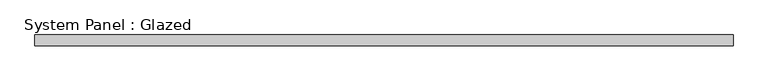
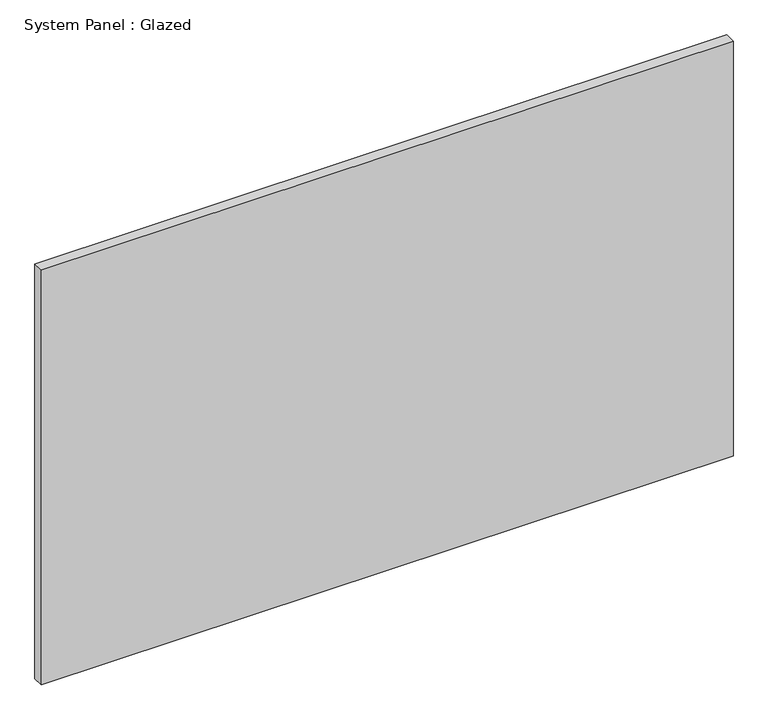
"""IFC4 building model written with IfcOpenShell, lengths in millimetres: plate geometry, System Panel : Glazed."""

import ifcopenshell
import ifcopenshell.guid

model = None  # the IFC model being written
_history = None  # IfcOwnerHistory: only IFC2X3 demands one
_inside = {}  # id of a spatial element -> (the spatial element, [elements in it])
_under = {}  # id of a project, library or spatial element -> (it, [spatial elements below it])
_declared = {}  # id of a project -> (the project, [libraries it declares])
_typed = {}  # id of a type object -> (the type object, [elements of that type])
_made_of = {}  # id of a material, layer set ... -> (it, [elements and type objects made of it])


def new_model(schema):
    """Start an empty IFC model of exactly this schema.

    Asked for "IFC4X3", IfcOpenShell would pick the latest addendum, in which some entities
    have other attributes; the version numbers below select the first issue.
    IFC2X3 requires an IfcOwnerHistory on every rooted entity: one is made here for all.
    """
    global model, _history
    if schema == "IFC4X3":
        model = ifcopenshell.file(schema_version=(4, 3, 0, 0))
    else:
        model = ifcopenshell.file(schema=schema)
    _inside.clear()
    _under.clear()
    _declared.clear()
    _typed.clear()
    _made_of.clear()
    _history = None
    if model.schema == "IFC2X3":
        org = make("IfcOrganization", Name="unknown")
        user = make(
            "IfcPersonAndOrganization",
            ThePerson=make("IfcPerson", FamilyName="unknown"),
            TheOrganization=org,
        )
        app = make(
            "IfcApplication",
            ApplicationDeveloper=org,
            Version="unknown",
            ApplicationFullName="unknown",
            ApplicationIdentifier="unknown",
        )
        _history = make(
            "IfcOwnerHistory",
            OwningUser=user,
            OwningApplication=app,
            ChangeAction="ADDED",
            CreationDate=0,
        )
    return model


def make(cls, **values):
    """One entity of the class cls with the attributes given. An attribute that is None is left unset."""
    return model.create_entity(
        cls, **{name: value for name, value in values.items() if value is not None}
    )


def rooted(cls, **values):
    """An entity with a GlobalId (a new one), such as an element, a storey or a relation."""
    return make(cls, GlobalId=ifcopenshell.guid.new(), OwnerHistory=_history, **values)


def si_unit(unit_type, name, prefix=None):
    """IfcSIUnit, for example si_unit("LENGTHUNIT", "METRE", prefix="MILLI")."""
    return make("IfcSIUnit", UnitType=unit_type, Prefix=prefix, Name=name)


def assignment(units):
    """IfcUnitAssignment: the units of a project."""
    return None if units is None else make("IfcUnitAssignment", Units=units)


def point(xyz):
    """IfcCartesianPoint."""
    return None if xyz is None else make("IfcCartesianPoint", Coordinates=xyz)


def direction(xyz):
    """IfcDirection."""
    return None if xyz is None else make("IfcDirection", DirectionRatios=xyz)


def frame(location, z_axis=None, x_axis=None):
    """IfcAxis2Placement3D, a coordinate frame: its origin and axes. An axis left out is left unset."""
    return make(
        "IfcAxis2Placement3D",
        Location=point(location),
        Axis=direction(z_axis),
        RefDirection=direction(x_axis),
    )


def origin():
    """The frame at (0, 0, 0) with its axes left unset."""
    return frame((0.0, 0.0, 0.0))


def origin_with_axes():
    """The frame at (0, 0, 0) with the z axis (0, 0, 1) and the x axis (1, 0, 0) written out."""
    return frame((0.0, 0.0, 0.0), z_axis=(0.0, 0.0, 1.0), x_axis=(1.0, 0.0, 0.0))


def place(relative_to, where):
    """IfcLocalPlacement: puts the frame where relative to a parent placement (None: the world)."""
    return make(
        "IfcLocalPlacement", PlacementRelTo=relative_to, RelativePlacement=where
    )


def context(
    kind, dimensions, precision=None, world=None, true_north=None, identifier=None
):
    """IfcGeometricRepresentationContext, for example the 3D "Model" context."""
    return make(
        "IfcGeometricRepresentationContext",
        ContextIdentifier=identifier,
        ContextType=kind,
        CoordinateSpaceDimension=dimensions,
        Precision=precision,
        WorldCoordinateSystem=world,
        TrueNorth=true_north,
    )


def project(units=None, contexts=None):
    """IfcProject with its units and contexts."""
    return rooted(
        "IfcProject",
        Name="project",
        RepresentationContexts=contexts,
        UnitsInContext=assignment(units),
    )


def spatial(cls, under=None, at=None, **own):
    """A site, building, storey or space (cls), placed at a placement, below another one or the project."""
    s = rooted(cls, ObjectPlacement=at, **own)
    if under is not None:
        _under.setdefault(under.id(), (under, []))[1].append(s)
    return s


def polyline(points):
    """IfcPolyline through the points."""
    return make("IfcPolyline", Points=[point(p) for p in points])


def outline(outer, holes=None, kind="AREA"):
    """IfcArbitraryClosedProfileDef: a profile drawn as a closed curve; with holes, ...WithVoids."""
    if holes is None:
        return make("IfcArbitraryClosedProfileDef", ProfileType=kind, OuterCurve=outer)
    return make(
        "IfcArbitraryProfileDefWithVoids",
        ProfileType=kind,
        OuterCurve=outer,
        InnerCurves=holes,
    )


def extrude(swept, where, along, depth):
    """IfcExtrudedAreaSolid: the profile swept, set in the frame where, extruded along a direction by depth."""
    return make(
        "IfcExtrudedAreaSolid",
        SweptArea=swept,
        Position=where,
        ExtrudedDirection=direction(along),
        Depth=depth,
    )


def shape(context_of_items, identifier, shape_type, items):
    """IfcShapeRepresentation: the items that make up one representation, for example the "Body"."""
    return make(
        "IfcShapeRepresentation",
        ContextOfItems=context_of_items,
        RepresentationIdentifier=identifier,
        RepresentationType=shape_type,
        Items=items,
    )


def source(mapping_origin, context_of_items, identifier, shape_type, items):
    """IfcRepresentationMap: a shape defined once, which mapped items show again and again."""
    return make(
        "IfcRepresentationMap",
        MappingOrigin=mapping_origin,
        MappedRepresentation=shape(context_of_items, identifier, shape_type, items),
    )


def transform(
    local_origin,
    x_axis=None,
    y_axis=None,
    z_axis=None,
    scale=None,
    scale2=None,
    scale3=None,
    uniform=True,
):
    """IfcCartesianTransformationOperator3D, or its non-uniform kind. x_axis, y_axis, z_axis: its Axis1, 2, 3."""
    if uniform:
        return make(
            "IfcCartesianTransformationOperator3D",
            Axis1=direction(x_axis),
            Axis2=direction(y_axis),
            LocalOrigin=point(local_origin),
            Scale=scale,
            Axis3=direction(z_axis),
        )
    return make(
        "IfcCartesianTransformationOperator3DnonUniform",
        Axis1=direction(x_axis),
        Axis2=direction(y_axis),
        LocalOrigin=point(local_origin),
        Scale=scale,
        Axis3=direction(z_axis),
        Scale2=scale2,
        Scale3=scale3,
    )


def mapped(mapping_source, mapping_target):
    """IfcMappedItem: shows the shape of a source again, moved by a transform."""
    return make(
        "IfcMappedItem", MappingSource=mapping_source, MappingTarget=mapping_target
    )


def made_of(thing, what):
    """Note that an element or type object is made of a material, layer set ...; save() writes the relation."""
    if what is not None:
        _made_of.setdefault(what.id(), (what, []))[1].append(thing)
    return thing


def element(
    cls,
    number,
    at=None,
    inside=None,
    cuts=None,
    type_object=None,
    material=None,
    context=None,
    identifier="Body",
    shape_type=None,
    held_by="IfcProductDefinitionShape",
    body=None,
    shapes=None,
    **own,
):
    """One element of the class cls, such as IfcWall. Its Tag is "e" and its number.

    at: its placement. inside: the storey or other place that contains it. cuts: it is an
    opening in that element (IfcRelVoidsElement). A single representation is given by context,
    identifier, shape_type and body (its items); several are given by shapes. held_by: the class
    of the entity that holds the representations. save() writes the other relations.
    """
    e = rooted(cls, Tag="e%d" % number, ObjectPlacement=at, **own)
    if body is not None:
        shapes = [shape(context, identifier, shape_type, body)]
    if shapes is not None:
        e.Representation = make(held_by, Representations=shapes)
    if inside is not None:
        _inside.setdefault(inside.id(), (inside, []))[1].append(e)
    if cuts is not None:
        rooted(
            "IfcRelVoidsElement", RelatingBuildingElement=cuts, RelatedOpeningElement=e
        )
    if type_object is not None:
        _typed.setdefault(type_object.id(), (type_object, []))[1].append(e)
    return made_of(e, material)


def aggregate(whole, parts):
    """IfcRelAggregates: a whole, such as a stair, and the parts it consists of."""
    return rooted("IfcRelAggregates", RelatingObject=whole, RelatedObjects=parts)


def save(model, path):
    """Write the relations noted so far, then the file.

    IfcRelAggregates (storeys below a building ...), IfcRelContainedInSpatialStructure (elements
    in a storey), IfcRelDefinesByType, IfcRelAssociatesMaterial and IfcRelDeclares: one each for
    every whole, place, type object, material and project.
    """
    for whole, parts in _under.values():
        aggregate(whole, parts)
    for where, things in _inside.values():
        rooted(
            "IfcRelContainedInSpatialStructure",
            RelatedElements=things,
            RelatingStructure=where,
        )
    for kind, things in _typed.values():
        rooted("IfcRelDefinesByType", RelatedObjects=things, RelatingType=kind)
    for what, things in _made_of.values():
        rooted("IfcRelAssociatesMaterial", RelatedObjects=things, RelatingMaterial=what)
    for by, libraries in _declared.values():
        rooted("IfcRelDeclares", RelatingContext=by, RelatedDefinitions=libraries)
    model.write(path)


def system_panel_glazed_6420faaa(model_context):
    return source(origin(), model_context, "Body", "SweptSolid", [
        extrude(outline(polyline([(796.6455623, 24.5), (-796.6455623, 24.5), (-796.6455623, 49.5), (796.6455623, 49.5), (796.6455623, 24.5)])), origin_with_axes(), (0.0, 0.0, 1.0), 1010.85),
    ])


if __name__ == "__main__":
    model = new_model("IFC4")
    model_context = context("Model", 3, world=origin())
    ifc_project = project(units=[si_unit("LENGTHUNIT", "METRE", prefix="MILLI")], contexts=[model_context])
    site = spatial("IfcSite", under=ifc_project)
    building = spatial("IfcBuilding", under=site)
    placement = place(None, origin())
    system_panel_glazed_shape = system_panel_glazed_6420faaa(model_context)
    element("IfcPlate", 1, ObjectType="System Panel : Glazed", at=placement, inside=building, context=model_context, shape_type="MappedRepresentation", body=[
        mapped(system_panel_glazed_shape, transform((0.0, 0.0, 0.0), x_axis=(1.0, 0.0, 0.0), y_axis=(0.0, 1.0, 0.0), z_axis=(0.0, 0.0, 1.0))),
    ])
    save(model, "model.ifc")
